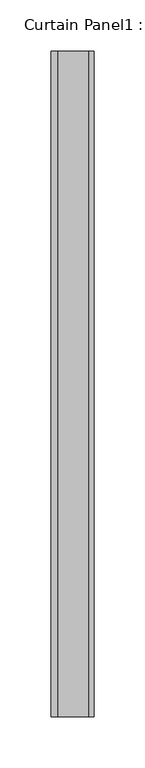
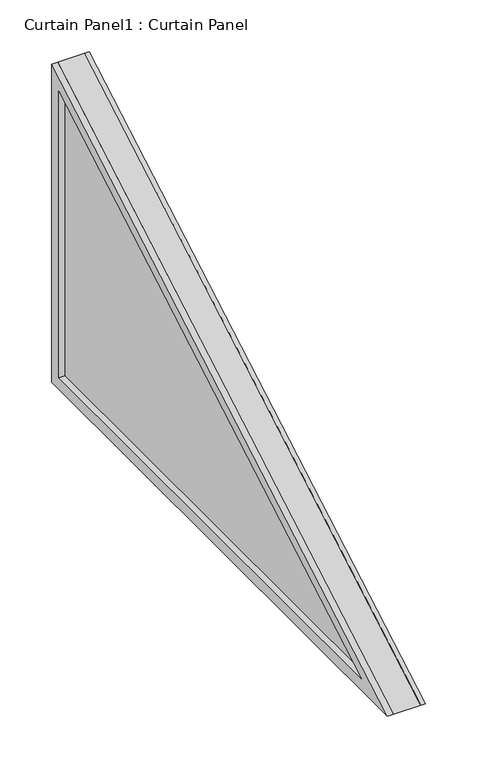
"""IFC4 building model written with IfcOpenShell, lengths in millimetres: plate geometry, Curtain Panel1 : Curtain Panel."""

from ifc_helpers import new_model, si_unit, frame, origin, place, context, project, spatial, polyline, outline, extrude, source, transform, mapped, element, save


def curtain_panel1_curtain_panel_1b5b3a65(model_context):
    return source(origin(), model_context, "Body", "SweptSolid", [
        extrude(outline(polyline([(-21734.7966517, -82.9805969), (-22384.583703, -82.9805969), (-21734.7966517, 292.1741321), (-21734.7966517, -82.9805969)]), holes=[polyline([(-21745.8482895, -71.928959), (-21745.8482895, 273.0321338), (-22343.3384289, -71.928959), (-21745.8482895, -71.928959)])]), frame((12059.99903, 0.0, 0.0), z_axis=(1.0, 0.0, 0.0), x_axis=(0.0, 1.0, 0.0)), (0.0, 0.0, 1.0), 4.9761443),
        extrude(outline(polyline([(-21734.7966517, -82.9805969), (-22384.583703, -82.9805969), (-21734.7966517, 292.1741321), (-21734.7966517, -82.9805969)]), holes=[polyline([(-21748.4027572, -69.3744913), (-21748.4027572, 268.607666), (-22333.8050257, -69.3744913), (-21748.4027572, -69.3744913)])]), frame((12023.0903612, 0.0, 0.0), z_axis=(1.0, 0.0, 0.0), x_axis=(0.0, 1.0, 0.0)), (0.0, 0.0, 1.0), 6.6173301),
        extrude(outline(polyline([(-22384.583703, -82.9805969), (-21734.7966517, 292.1741321), (-21734.7966517, -82.9805969), (-22384.583703, -82.9805969)])), frame((12029.7076913, 0.0, 0.0), z_axis=(1.0, 0.0, 0.0), x_axis=(0.0, 1.0, 0.0)), (0.0, 0.0, 1.0), 30.2913386),
    ])


if __name__ == "__main__":
    model = new_model("IFC4")
    model_context = context("Model", 3, world=origin())
    ifc_project = project(units=[si_unit("LENGTHUNIT", "METRE", prefix="MILLI")], contexts=[model_context])
    site = spatial("IfcSite", under=ifc_project)
    building = spatial("IfcBuilding", under=site)
    placement = place(None, origin())
    curtain_panel1_curtain_panel_shape = curtain_panel1_curtain_panel_1b5b3a65(model_context)
    element("IfcPlate", 1, ObjectType="Curtain Panel1 : Curtain Panel", at=placement, inside=building, context=model_context, shape_type="MappedRepresentation", body=[
        mapped(curtain_panel1_curtain_panel_shape, transform((0.0, 0.0, 0.0), x_axis=(1.0, 0.0, 0.0), y_axis=(0.0, 1.0, 0.0), z_axis=(0.0, 0.0, 1.0))),
    ])
    save(model, "model.ifc")
